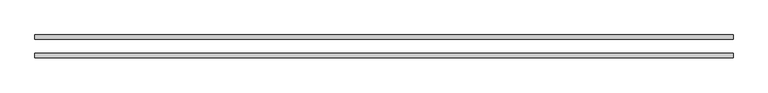
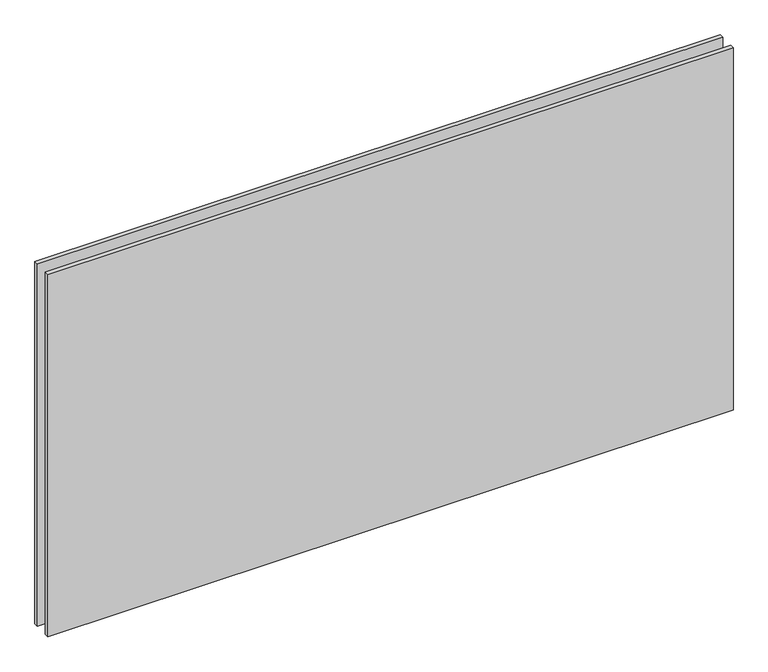
"""IFC4 building model written with IfcOpenShell, lengths in millimetres: plate geometry."""

from ifc_helpers import new_model, si_unit, origin, origin_with_axes, place, context, project, spatial, polyline, outline, extrude, source, transform, mapped, element, save


def plate_33ec0524(model_context):
    return source(origin(), model_context, "Body", "SweptSolid", [
        extrude(outline(polyline([(612.5, -48.3), (-612.5, -48.3), (-612.5, -40.3), (612.5, -40.3), (612.5, -48.3)])), origin_with_axes(), (0.0, 0.0, 1.0), 685.0),
        extrude(outline(polyline([(612.5, -16.3), (-612.5, -16.3), (-612.5, -8.3), (612.5, -8.3), (612.5, -16.3)])), origin_with_axes(), (0.0, 0.0, 1.0), 685.0),
    ])


if __name__ == "__main__":
    model = new_model("IFC4")
    model_context = context("Model", 3, world=origin())
    ifc_project = project(units=[si_unit("LENGTHUNIT", "METRE", prefix="MILLI")], contexts=[model_context])
    site = spatial("IfcSite", under=ifc_project)
    building = spatial("IfcBuilding", under=site)
    placement = place(None, origin())
    plate_shape = plate_33ec0524(model_context)
    element("IfcPlate", 1, at=placement, inside=building, context=model_context, shape_type="MappedRepresentation", body=[
        mapped(plate_shape, transform((0.0, 0.0, 0.0), x_axis=(1.0, 0.0, 0.0), y_axis=(0.0, 1.0, 0.0), z_axis=(0.0, 0.0, 1.0))),
    ])
    save(model, "model.ifc")
